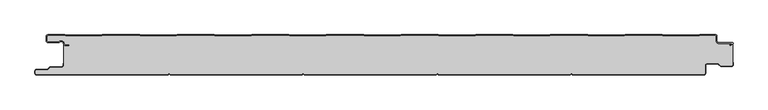
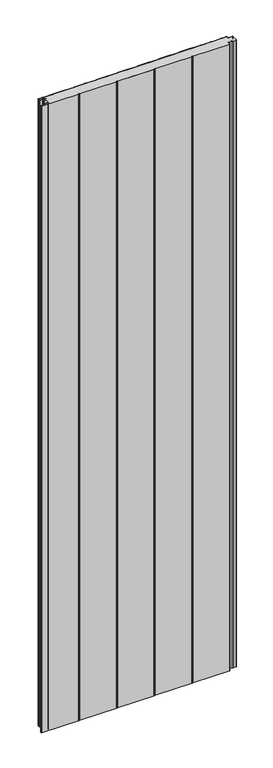
"""IFC4 building model written with IfcOpenShell, lengths in millimetres: plate geometry."""

from ifc_helpers import new_model, si_unit, point, frame_2d, origin, origin_with_axes, place, context, project, spatial, polyline, circle_curve, trimmed, segment, composite_curve, outline, extrude, source, transform, mapped, element, save


def plate_d125f597(model_context):
    return source(origin(), model_context, "Body", "SweptSolid", [
        extrude(outline(composite_curve([segment(trimmed(circle_curve(frame_2d((-497.49499, -9.0180361)), 2.50501), [point((-497.49499, -11.5230461))], [point((-500.0, -9.0180361))], False, "CARTESIAN"), True, "CONTINUOUS"), segment(polyline([(-500.0, -9.0180361), (-500.0, -2.50501)]), True, "CONTINUOUS"), segment(trimmed(circle_curve(frame_2d((-497.49499, -2.50501)), 2.50501), [point((-500.0, -2.50501))], [point((-497.49499, 0.0))], False, "CARTESIAN"), True, "CONTINUOUS"), segment(polyline([(-497.49499, 0.0), (-472.2103007, 0.0), (-471.028188, -0.6012024), (-417.6391467, -0.6012024), (-416.457034, 0.0), (-360.8776353, 0.0), (-359.6955227, -0.6012024), (-306.3064814, -0.6012024), (-305.1243687, 0.0), (-249.54497, 0.0), (-248.3628573, -0.6012024), (-194.973816, -0.6012024), (-193.7917033, 0.0), (-138.2123047, 0.0), (-137.030192, -0.6012024), (-83.6411507, -0.6012024), (-82.459038, 0.0), (-26.8796393, 0.0), (-25.6975267, -0.6012024), (27.6915146, -0.6012024), (28.8736273, 0.0), (84.453026, 0.0), (85.6351387, -0.6012024), (139.02418, -0.6012024), (140.2062927, 0.0), (195.7856913, 0.0), (196.967804, -0.6012024), (250.3568453, -0.6012024), (251.538958, 0.0), (307.1183566, 0.0), (308.3004693, -0.6012024), (361.6895106, -0.6012024), (362.8716233, 0.0), (418.451022, 0.0), (419.6331347, -0.6012024), (473.022176, -0.6012024), (474.2042886, 0.0), (497.49499, 0.0)]), True, "CONTINUOUS"), segment(trimmed(circle_curve(frame_2d((497.49499, -2.50501)), 2.50501), [point((497.49499, 0.0))], [point((500.0, -2.50501))], False, "CARTESIAN"), True, "CONTINUOUS"), segment(polyline([(500.0, -2.50501), (500.0, -10.0200401)]), True, "CONTINUOUS"), segment(trimmed(circle_curve(frame_2d((502.004008, -10.0200401)), 2.004008), [point((500.0, -10.0200401))], [point((502.004008, -12.0240481))], True, "CARTESIAN"), True, "CONTINUOUS"), segment(polyline([(502.004008, -12.0240481), (522.96027, -12.0240481)]), True, "CONTINUOUS"), segment(trimmed(circle_curve(frame_2d((522.96027, -13.0490481)), 1.025), [point((522.96027, -12.0240481))], [point((523.47277, -13.9367241))], False, "CARTESIAN"), True, "CONTINUOUS"), segment(polyline([(523.47277, -13.9367241), (519.5390782, -16.2078422), (519.1390782, -15.5150218), (522.183956, -13.7570608)]), True, "CONTINUOUS"), segment(trimmed(circle_curve(frame_2d((521.933956, -13.3240481)), 0.5), [point((522.183956, -13.7570608))], [point((521.933956, -12.8240481))], True, "CARTESIAN"), True, "CONTINUOUS"), segment(polyline([(521.933956, -12.8240481), (502.004008, -12.8240481)]), True, "CONTINUOUS"), segment(trimmed(circle_curve(frame_2d((502.004008, -10.0200401)), 2.804008), [point((502.004008, -12.8240481))], [point((499.2, -10.0200401))], False, "CARTESIAN"), True, "CONTINUOUS"), segment(polyline([(499.2, -10.0200401), (499.2, -2.50501)]), True, "CONTINUOUS"), segment(trimmed(circle_curve(frame_2d((497.49499, -2.50501)), 1.70501), [point((499.2, -2.50501))], [point((497.49499, -0.8))], True, "CARTESIAN"), True, "CONTINUOUS"), segment(polyline([(497.49499, -0.8), (474.396035, -0.8), (473.2139223, -1.4012024), (419.4413883, -1.4012024), (418.2592756, -0.8), (363.0633697, -0.8), (361.881257, -1.4012024), (308.108723, -1.4012024), (306.9266103, -0.8), (251.7307044, -0.8), (250.5485917, -1.4012024), (196.7760576, -1.4012024), (195.5939449, -0.8), (140.398039, -0.8), (139.2159263, -1.4012024), (85.4433923, -1.4012024), (84.2612796, -0.8), (29.0653737, -0.8), (27.883261, -1.4012024), (-25.889273, -1.4012024), (-27.0713857, -0.8), (-82.2672916, -0.8), (-83.4494043, -1.4012024), (-137.2219384, -1.4012024), (-138.4040511, -0.8), (-193.599957, -0.8), (-194.7820696, -1.4012024), (-248.5546037, -1.4012024), (-249.7367164, -0.8), (-304.9326223, -0.8), (-306.114735, -1.4012024), (-359.887269, -1.4012024), (-361.0693817, -0.8), (-416.2652876, -0.8), (-417.4474003, -1.4012024), (-471.2199344, -1.4012024), (-472.4020471, -0.8), (-497.49499, -0.8)]), True, "CONTINUOUS"), segment(trimmed(circle_curve(frame_2d((-497.49499, -2.50501)), 1.70501), [point((-497.49499, -0.8))], [point((-499.2, -2.50501))], True, "CARTESIAN"), True, "CONTINUOUS"), segment(polyline([(-499.2, -2.50501), (-499.2, -9.0180361)]), True, "CONTINUOUS"), segment(trimmed(circle_curve(frame_2d((-497.49499, -9.0180361)), 1.70501), [point((-499.2, -9.0180361))], [point((-497.49499, -10.7230461))], True, "CARTESIAN"), True, "CONTINUOUS"), segment(polyline([(-497.49499, -10.7230461), (-481.8173283, -10.7230461)]), True, "CONTINUOUS"), segment(trimmed(circle_curve(frame_2d((-481.8173283, -9.0180361)), 1.70501), [point((-481.8173283, -10.7230461))], [point((-480.6895701, -10.2967936))], True, "CARTESIAN"), True, "CONTINUOUS"), segment(trimmed(circle_curve(frame_2d((-477.8407481, -13.5270541)), 4.307014), [point((-480.6895701, -10.2967936))], [point((-473.7934788, -12.0539686))], False, "CARTESIAN"), True, "CONTINUOUS"), segment(polyline([(-473.7934788, -12.0539686), (-473.0450711, -14.1102019)]), True, "CONTINUOUS"), segment(trimmed(circle_curve(frame_2d((-471.4428858, -13.5270541)), 1.70501), [point((-473.0450711, -14.1102019))], [point((-471.4428858, -15.2320641))], True, "CARTESIAN"), True, "CONTINUOUS"), segment(polyline([(-471.4428858, -15.2320641), (-466.4328657, -15.2320641), (-466.4328657, -16.0320641), (-471.4428858, -16.0320641)]), True, "CONTINUOUS"), segment(trimmed(circle_curve(frame_2d((-471.4428858, -13.5270541)), 2.50501), [point((-471.4428858, -16.0320641))], [point((-473.7968252, -14.383818))], False, "CARTESIAN"), True, "CONTINUOUS"), segment(polyline([(-473.7968252, -14.383818), (-474.5452329, -12.3275847)]), True, "CONTINUOUS"), segment(trimmed(circle_curve(frame_2d((-477.8407481, -13.5270541)), 3.507014), [point((-474.5452329, -12.3275847))], [point((-480.1604199, -10.8967936))], True, "CARTESIAN"), True, "CONTINUOUS"), segment(trimmed(circle_curve(frame_2d((-481.8173283, -9.0180361)), 2.50501), [point((-480.1604199, -10.8967936))], [point((-481.8173283, -11.5230461))], False, "CARTESIAN"), True, "CONTINUOUS"), segment(polyline([(-481.8173283, -11.5230461), (-497.49499, -11.5230461)]), True, "CONTINUOUS")], self_intersect=False)), origin_with_axes(), (0.0, 0.0, 1.0), 3500.0),
        extrude(outline(composite_curve([segment(polyline([(523.2, -12.8240481), (523.2, -45.25)]), True, "CONTINUOUS"), segment(trimmed(circle_curve(frame_2d((521.5, -45.25)), 1.7), [point((523.2, -45.25))], [point((521.5, -46.95))], False, "CARTESIAN"), True, "CONTINUOUS"), segment(polyline([(521.5, -46.95), (505.8492873, -46.95), (501.7886271, -43.2), (485.0, -43.2)]), True, "CONTINUOUS"), segment(trimmed(circle_curve(frame_2d((485.0, -46.0)), 2.8), [point((485.0, -43.2))], [point((482.2, -46.0))], True, "CARTESIAN"), True, "CONTINUOUS"), segment(polyline([(482.2, -46.0), (482.2, -57.5)]), True, "CONTINUOUS"), segment(trimmed(circle_curve(frame_2d((480.5, -57.5)), 1.7), [point((482.2, -57.5))], [point((480.5, -59.2))], False, "CARTESIAN"), True, "CONTINUOUS"), segment(polyline([(480.5, -59.2), (285.5, -59.2)]), True, "CONTINUOUS"), segment(trimmed(circle_curve(frame_2d((285.5, -57.5)), 1.7), [point((285.5, -59.2))], [point((284.0845596, -58.4415563))], False, "CARTESIAN"), True, "CONTINUOUS"), segment(trimmed(circle_curve(frame_2d((283.0, -59.1630095)), 1.302599), [point((284.0845596, -58.4415563))], [point((281.9154404, -58.4415563))], True, "CARTESIAN"), True, "CONTINUOUS"), segment(trimmed(circle_curve(frame_2d((280.5, -57.5)), 1.7), [point((281.9154404, -58.4415563))], [point((280.5, -59.2))], False, "CARTESIAN"), True, "CONTINUOUS"), segment(polyline([(280.5, -59.2), (85.5, -59.2)]), True, "CONTINUOUS"), segment(trimmed(circle_curve(frame_2d((85.5, -57.5)), 1.7), [point((85.5, -59.2))], [point((84.0845596, -58.4415563))], False, "CARTESIAN"), True, "CONTINUOUS"), segment(trimmed(circle_curve(frame_2d((83.0, -59.1630095)), 1.302599), [point((84.0845596, -58.4415563))], [point((81.9154404, -58.4415563))], True, "CARTESIAN"), True, "CONTINUOUS"), segment(trimmed(circle_curve(frame_2d((80.5, -57.5)), 1.7), [point((81.9154404, -58.4415563))], [point((80.5, -59.2))], False, "CARTESIAN"), True, "CONTINUOUS"), segment(polyline([(80.5, -59.2), (-114.5, -59.2)]), True, "CONTINUOUS"), segment(trimmed(circle_curve(frame_2d((-114.5, -57.5)), 1.7), [point((-114.5, -59.2))], [point((-115.9154404, -58.4415563))], False, "CARTESIAN"), True, "CONTINUOUS"), segment(trimmed(circle_curve(frame_2d((-117.0, -59.1630095)), 1.302599), [point((-115.9154404, -58.4415563))], [point((-118.0845596, -58.4415563))], True, "CARTESIAN"), True, "CONTINUOUS"), segment(trimmed(circle_curve(frame_2d((-119.5, -57.5)), 1.7), [point((-118.0845596, -58.4415563))], [point((-119.5, -59.2))], False, "CARTESIAN"), True, "CONTINUOUS"), segment(polyline([(-119.5, -59.2), (-314.5, -59.2)]), True, "CONTINUOUS"), segment(trimmed(circle_curve(frame_2d((-314.5, -57.5)), 1.7), [point((-314.5, -59.2))], [point((-315.9154404, -58.4415563))], False, "CARTESIAN"), True, "CONTINUOUS"), segment(trimmed(circle_curve(frame_2d((-317.0, -59.1630095)), 1.302599), [point((-315.9154404, -58.4415563))], [point((-318.0845596, -58.4415563))], True, "CARTESIAN"), True, "CONTINUOUS"), segment(trimmed(circle_curve(frame_2d((-319.5, -57.5)), 1.7), [point((-318.0845596, -58.4415563))], [point((-319.5, -59.2))], False, "CARTESIAN"), True, "CONTINUOUS"), segment(polyline([(-319.5, -59.2), (-514.5, -59.2)]), True, "CONTINUOUS"), segment(trimmed(circle_curve(frame_2d((-514.5, -57.5)), 1.7), [point((-514.5, -59.2))], [point((-516.2, -57.5))], False, "CARTESIAN"), True, "CONTINUOUS"), segment(polyline([(-516.2, -57.5), (-516.2, -54.5)]), True, "CONTINUOUS"), segment(trimmed(circle_curve(frame_2d((-514.5, -54.5)), 1.7), [point((-516.2, -54.5))], [point((-514.5, -52.8))], False, "CARTESIAN"), True, "CONTINUOUS"), segment(polyline([(-514.5, -52.8), (-498.1686292, -52.8), (-494.4186292, -49.05), (-477.0, -49.05)]), True, "CONTINUOUS"), segment(trimmed(circle_curve(frame_2d((-477.0, -46.25)), 2.8), [point((-477.0, -49.05))], [point((-474.2, -46.25))], True, "CARTESIAN"), True, "CONTINUOUS"), segment(polyline([(-474.2, -46.25), (-474.2, -11.2258973)]), True, "CONTINUOUS"), segment(trimmed(circle_curve(frame_2d((-477.8407481, -13.5270541)), 4.307014), [point((-474.2, -11.2258973))], [point((-480.6895701, -10.2967936))], True, "CARTESIAN"), True, "CONTINUOUS"), segment(trimmed(circle_curve(frame_2d((-481.8173283, -9.0180361)), 1.70501), [point((-480.6895701, -10.2967936))], [point((-481.8173283, -10.7230461))], False, "CARTESIAN"), True, "CONTINUOUS"), segment(polyline([(-481.8173283, -10.7230461), (-497.49499, -10.7230461)]), True, "CONTINUOUS"), segment(trimmed(circle_curve(frame_2d((-497.49499, -9.0180361)), 1.70501), [point((-497.49499, -10.7230461))], [point((-499.2, -9.0180361))], False, "CARTESIAN"), True, "CONTINUOUS"), segment(polyline([(-499.2, -9.0180361), (-499.2, -2.50501)]), True, "CONTINUOUS"), segment(trimmed(circle_curve(frame_2d((-497.49499, -2.50501)), 1.70501), [point((-499.2, -2.50501))], [point((-497.49499, -0.8))], False, "CARTESIAN"), True, "CONTINUOUS"), segment(polyline([(-497.49499, -0.8), (-472.4020471, -0.8), (-471.2199344, -1.4012024), (-417.4474003, -1.4012024), (-416.2652876, -0.8), (-361.0693817, -0.8), (-359.887269, -1.4012024), (-306.114735, -1.4012024), (-304.9326223, -0.8), (-249.7367164, -0.8), (-248.5546037, -1.4012024), (-194.7820696, -1.4012024), (-193.599957, -0.8), (-138.4040511, -0.8), (-137.2219384, -1.4012024), (-83.4494043, -1.4012024), (-82.2672916, -0.8), (-27.0713857, -0.8), (-25.889273, -1.4012024), (27.883261, -1.4012024), (29.0653737, -0.8), (84.2612796, -0.8), (85.4433923, -1.4012024), (139.2159263, -1.4012024), (140.398039, -0.8), (195.5939449, -0.8), (196.7760576, -1.4012024), (250.5485917, -1.4012024), (251.7307044, -0.8), (306.9266103, -0.8), (308.108723, -1.4012024), (361.881257, -1.4012024), (363.0633697, -0.8), (418.2592756, -0.8), (419.4413883, -1.4012024), (473.2139223, -1.4012024), (474.396035, -0.8), (497.49499, -0.8)]), True, "CONTINUOUS"), segment(trimmed(circle_curve(frame_2d((497.49499, -2.50501)), 1.70501), [point((497.49499, -0.8))], [point((499.2, -2.50501))], False, "CARTESIAN"), True, "CONTINUOUS"), segment(polyline([(499.2, -2.50501), (499.2, -10.0200401)]), True, "CONTINUOUS"), segment(trimmed(circle_curve(frame_2d((502.004008, -10.0200401)), 2.804008), [point((499.2, -10.0200401))], [point((502.004008, -12.8240481))], True, "CARTESIAN"), True, "CONTINUOUS"), segment(polyline([(502.004008, -12.8240481), (523.2, -12.8240481)]), True, "CONTINUOUS")], self_intersect=False)), origin_with_axes(), (0.0, 0.0, 1.0), 3500.0),
        extrude(outline(composite_curve([segment(polyline([(-319.5, -60.0), (-514.5, -60.0)]), True, "CONTINUOUS"), segment(trimmed(circle_curve(frame_2d((-514.5, -57.5)), 2.5), [point((-514.5, -60.0))], [point((-517.0, -57.5))], False, "CARTESIAN"), True, "CONTINUOUS"), segment(polyline([(-517.0, -57.5), (-517.0, -54.5)]), True, "CONTINUOUS"), segment(trimmed(circle_curve(frame_2d((-514.5, -54.5)), 2.5), [point((-517.0, -54.5))], [point((-514.5, -52.0))], False, "CARTESIAN"), True, "CONTINUOUS"), segment(polyline([(-514.5, -52.0), (-498.5, -52.0), (-494.75, -48.25), (-477.0, -48.25)]), True, "CONTINUOUS"), segment(trimmed(circle_curve(frame_2d((-477.0, -46.25)), 2.0), [point((-477.0, -48.25))], [point((-475.0, -46.25))], True, "CARTESIAN"), True, "CONTINUOUS"), segment(polyline([(-475.0, -46.25), (-475.0, -43.25), (-474.2, -43.25), (-474.2, -46.25)]), True, "CONTINUOUS"), segment(trimmed(circle_curve(frame_2d((-477.0, -46.25)), 2.8), [point((-474.2, -46.25))], [point((-477.0, -49.05))], False, "CARTESIAN"), True, "CONTINUOUS"), segment(polyline([(-477.0, -49.05), (-494.4186292, -49.05), (-498.1686292, -52.8), (-514.5, -52.8)]), True, "CONTINUOUS"), segment(trimmed(circle_curve(frame_2d((-514.5, -54.5)), 1.7), [point((-514.5, -52.8))], [point((-516.2, -54.5))], True, "CARTESIAN"), True, "CONTINUOUS"), segment(polyline([(-516.2, -54.5), (-516.2, -57.5)]), True, "CONTINUOUS"), segment(trimmed(circle_curve(frame_2d((-514.5, -57.5)), 1.7), [point((-516.2, -57.5))], [point((-514.5, -59.2))], True, "CARTESIAN"), True, "CONTINUOUS"), segment(polyline([(-514.5, -59.2), (-319.5, -59.2)]), True, "CONTINUOUS"), segment(trimmed(circle_curve(frame_2d((-319.5, -57.5)), 1.7), [point((-319.5, -59.2))], [point((-318.0845596, -58.4415563))], True, "CARTESIAN"), True, "CONTINUOUS"), segment(trimmed(circle_curve(frame_2d((-317.0, -59.1630095)), 1.302599), [point((-318.0845596, -58.4415563))], [point((-315.9154404, -58.4415563))], False, "CARTESIAN"), True, "CONTINUOUS"), segment(trimmed(circle_curve(frame_2d((-314.5, -57.5)), 1.7), [point((-315.9154404, -58.4415563))], [point((-314.5, -59.2))], True, "CARTESIAN"), True, "CONTINUOUS"), segment(polyline([(-314.5, -59.2), (-119.5, -59.2)]), True, "CONTINUOUS"), segment(trimmed(circle_curve(frame_2d((-119.5, -57.5)), 1.7), [point((-119.5, -59.2))], [point((-118.0845596, -58.4415563))], True, "CARTESIAN"), True, "CONTINUOUS"), segment(trimmed(circle_curve(frame_2d((-117.0, -59.1630095)), 1.302599), [point((-118.0845596, -58.4415563))], [point((-115.9154404, -58.4415563))], False, "CARTESIAN"), True, "CONTINUOUS"), segment(trimmed(circle_curve(frame_2d((-114.5, -57.5)), 1.7), [point((-115.9154404, -58.4415563))], [point((-114.5, -59.2))], True, "CARTESIAN"), True, "CONTINUOUS"), segment(polyline([(-114.5, -59.2), (80.5, -59.2)]), True, "CONTINUOUS"), segment(trimmed(circle_curve(frame_2d((80.5, -57.5)), 1.7), [point((80.5, -59.2))], [point((81.9154404, -58.4415563))], True, "CARTESIAN"), True, "CONTINUOUS"), segment(trimmed(circle_curve(frame_2d((83.0, -59.1630095)), 1.302599), [point((81.9154404, -58.4415563))], [point((84.0845596, -58.4415563))], False, "CARTESIAN"), True, "CONTINUOUS"), segment(trimmed(circle_curve(frame_2d((85.5, -57.5)), 1.7), [point((84.0845596, -58.4415563))], [point((85.5, -59.2))], True, "CARTESIAN"), True, "CONTINUOUS"), segment(polyline([(85.5, -59.2), (280.5, -59.2)]), True, "CONTINUOUS"), segment(trimmed(circle_curve(frame_2d((280.5, -57.5)), 1.7), [point((280.5, -59.2))], [point((281.9154404, -58.4415563))], True, "CARTESIAN"), True, "CONTINUOUS"), segment(trimmed(circle_curve(frame_2d((283.0, -59.1630095)), 1.302599), [point((281.9154404, -58.4415563))], [point((284.0845596, -58.4415563))], False, "CARTESIAN"), True, "CONTINUOUS"), segment(trimmed(circle_curve(frame_2d((285.5, -57.5)), 1.7), [point((284.0845596, -58.4415563))], [point((285.5, -59.2))], True, "CARTESIAN"), True, "CONTINUOUS"), segment(polyline([(285.5, -59.2), (480.5, -59.2)]), True, "CONTINUOUS"), segment(trimmed(circle_curve(frame_2d((480.5, -57.5)), 1.7), [point((480.5, -59.2))], [point((482.2, -57.5))], True, "CARTESIAN"), True, "CONTINUOUS"), segment(polyline([(482.2, -57.5), (482.2, -46.0)]), True, "CONTINUOUS"), segment(trimmed(circle_curve(frame_2d((485.0, -46.0)), 2.8), [point((482.2, -46.0))], [point((485.0, -43.2))], False, "CARTESIAN"), True, "CONTINUOUS"), segment(polyline([(485.0, -43.2), (501.7886271, -43.2), (505.8492873, -46.95), (521.5, -46.95)]), True, "CONTINUOUS"), segment(trimmed(circle_curve(frame_2d((521.5, -45.25)), 1.7), [point((521.5, -46.95))], [point((523.2, -45.25))], True, "CARTESIAN"), True, "CONTINUOUS"), segment(polyline([(523.2, -45.25), (523.2, -41.75), (524.0, -41.75), (524.0, -45.25)]), True, "CONTINUOUS"), segment(trimmed(circle_curve(frame_2d((521.5, -45.25)), 2.5), [point((524.0, -45.25))], [point((521.5, -47.75))], False, "CARTESIAN"), True, "CONTINUOUS"), segment(polyline([(521.5, -47.75), (505.5363961, -47.75), (501.4757359, -44.0), (485.0, -44.0)]), True, "CONTINUOUS"), segment(trimmed(circle_curve(frame_2d((485.0, -46.0)), 2.0), [point((485.0, -44.0))], [point((483.0, -46.0))], True, "CARTESIAN"), True, "CONTINUOUS"), segment(polyline([(483.0, -46.0), (483.0, -57.5)]), True, "CONTINUOUS"), segment(trimmed(circle_curve(frame_2d((480.5, -57.5)), 2.5), [point((483.0, -57.5))], [point((480.5, -60.0))], False, "CARTESIAN"), True, "CONTINUOUS"), segment(polyline([(480.5, -60.0), (285.5, -60.0)]), True, "CONTINUOUS"), segment(trimmed(circle_curve(frame_2d((285.5, -57.5)), 2.5), [point((285.5, -60.0))], [point((283.4184699, -58.8846417))], False, "CARTESIAN"), True, "CONTINUOUS"), segment(trimmed(circle_curve(frame_2d((283.0, -59.1630095)), 0.502599), [point((283.4184699, -58.8846417))], [point((282.5815301, -58.8846417))], True, "CARTESIAN"), True, "CONTINUOUS"), segment(trimmed(circle_curve(frame_2d((280.5, -57.5)), 2.5), [point((282.5815301, -58.8846417))], [point((280.5, -60.0))], False, "CARTESIAN"), True, "CONTINUOUS"), segment(polyline([(280.5, -60.0), (85.5, -60.0)]), True, "CONTINUOUS"), segment(trimmed(circle_curve(frame_2d((85.5, -57.5)), 2.5), [point((85.5, -60.0))], [point((83.4184699, -58.8846417))], False, "CARTESIAN"), True, "CONTINUOUS"), segment(trimmed(circle_curve(frame_2d((83.0, -59.1630095)), 0.502599), [point((83.4184699, -58.8846417))], [point((82.5815301, -58.8846417))], True, "CARTESIAN"), True, "CONTINUOUS"), segment(trimmed(circle_curve(frame_2d((80.5, -57.5)), 2.5), [point((82.5815301, -58.8846417))], [point((80.5, -60.0))], False, "CARTESIAN"), True, "CONTINUOUS"), segment(polyline([(80.5, -60.0), (-114.5, -60.0)]), True, "CONTINUOUS"), segment(trimmed(circle_curve(frame_2d((-114.5, -57.5)), 2.5), [point((-114.5, -60.0))], [point((-116.5815301, -58.8846417))], False, "CARTESIAN"), True, "CONTINUOUS"), segment(trimmed(circle_curve(frame_2d((-117.0, -59.1630095)), 0.502599), [point((-116.5815301, -58.8846417))], [point((-117.4184699, -58.8846417))], True, "CARTESIAN"), True, "CONTINUOUS"), segment(trimmed(circle_curve(frame_2d((-119.5, -57.5)), 2.5), [point((-117.4184699, -58.8846417))], [point((-119.5, -60.0))], False, "CARTESIAN"), True, "CONTINUOUS"), segment(polyline([(-119.5, -60.0), (-314.5, -60.0)]), True, "CONTINUOUS"), segment(trimmed(circle_curve(frame_2d((-314.5, -57.5)), 2.5), [point((-314.5, -60.0))], [point((-316.5815301, -58.8846417))], False, "CARTESIAN"), True, "CONTINUOUS"), segment(trimmed(circle_curve(frame_2d((-317.0, -59.1630095)), 0.502599), [point((-316.5815301, -58.8846417))], [point((-317.4184699, -58.8846417))], True, "CARTESIAN"), True, "CONTINUOUS"), segment(trimmed(circle_curve(frame_2d((-319.5, -57.5)), 2.5), [point((-317.4184699, -58.8846417))], [point((-319.5, -60.0))], False, "CARTESIAN"), True, "CONTINUOUS")], self_intersect=False)), origin_with_axes(), (0.0, 0.0, 1.0), 3500.0),
    ])


if __name__ == "__main__":
    model = new_model("IFC4")
    model_context = context("Model", 3, world=origin())
    ifc_project = project(units=[si_unit("LENGTHUNIT", "METRE", prefix="MILLI")], contexts=[model_context])
    site = spatial("IfcSite", under=ifc_project)
    building = spatial("IfcBuilding", under=site)
    placement = place(None, origin())
    plate_shape = plate_d125f597(model_context)
    element("IfcPlate", 1, at=placement, inside=building, context=model_context, shape_type="MappedRepresentation", body=[
        mapped(plate_shape, transform((0.0, 0.0, 0.0), x_axis=(1.0, 0.0, 0.0), y_axis=(0.0, 1.0, 0.0), z_axis=(0.0, 0.0, 1.0))),
    ])
    save(model, "model.ifc")
